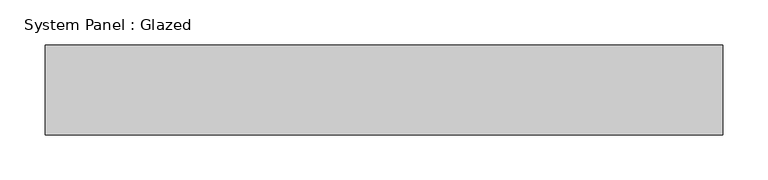
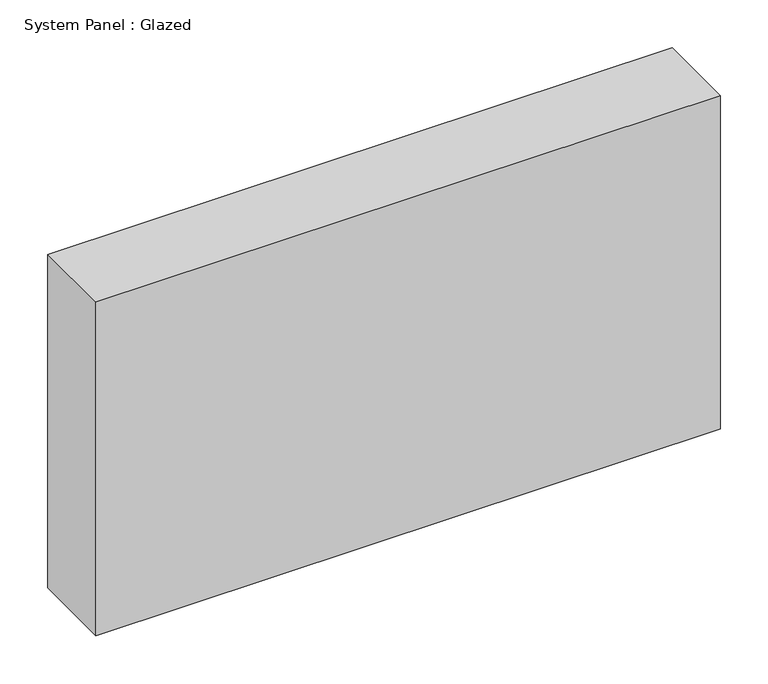
"""IFC4 building model written with IfcOpenShell, lengths in millimetres: plate geometry, System Panel : Glazed."""

from ifc_helpers import new_model, si_unit, origin, origin_with_axes, place, context, project, spatial, polyline, outline, extrude, source, transform, mapped, element, save


def system_panel_glazed_f2ee3095(model_context):
    return source(origin(), model_context, "Body", "SweptSolid", [
        extrude(outline(polyline([(375.8333333, 50.0), (-375.8333333, 50.0), (-375.8333333, 150.0), (375.8333333, 150.0), (375.8333333, 50.0)])), origin_with_axes(), (0.0, 0.0, 1.0), 425.0),
    ])


if __name__ == "__main__":
    model = new_model("IFC4")
    model_context = context("Model", 3, world=origin())
    ifc_project = project(units=[si_unit("LENGTHUNIT", "METRE", prefix="MILLI")], contexts=[model_context])
    site = spatial("IfcSite", under=ifc_project)
    building = spatial("IfcBuilding", under=site)
    placement = place(None, origin())
    system_panel_glazed_shape = system_panel_glazed_f2ee3095(model_context)
    element("IfcPlate", 1, ObjectType="System Panel : Glazed", at=placement, inside=building, context=model_context, shape_type="MappedRepresentation", body=[
        mapped(system_panel_glazed_shape, transform((0.0, 0.0, 0.0), x_axis=(1.0, 0.0, 0.0), y_axis=(0.0, 1.0, 0.0), z_axis=(0.0, 0.0, 1.0))),
    ])
    save(model, "model.ifc")
